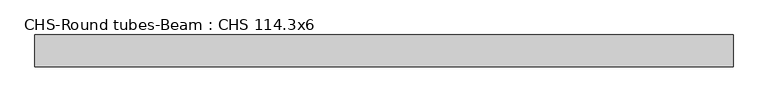
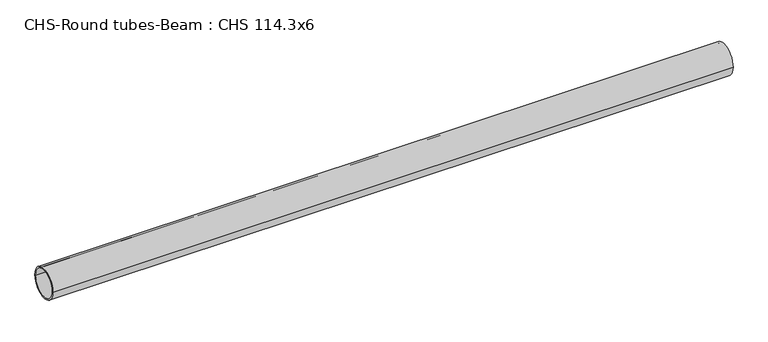
"""IFC4 building model written with IfcOpenShell, lengths in millimetres: beam geometry, CHS-Round tubes-Beam : CHS 114.3x6."""

from ifc_helpers import new_model, si_unit, point, frame, origin, origin_2d, place, context, project, spatial, circle_curve, trimmed, segment, composite_curve, outline, extrude, source, transform, mapped, element, save


def chs_round_tubes_beam_chs_114_3x6_1f453215(model_context):
    return source(origin(), model_context, "Body", "SweptSolid", [
        extrude(outline(composite_curve([segment(trimmed(circle_curve(origin_2d(), 57.15), [point((57.15, 0.0))], [point((-57.15, 0.0))], False, "CARTESIAN"), True, "CONTINUOUS"), segment(trimmed(circle_curve(origin_2d(), 57.15), [point((-57.15, 0.0))], [point((57.15, 0.0))], False, "CARTESIAN"), True, "CONTINUOUS")], self_intersect=False), holes=[composite_curve([segment(trimmed(circle_curve(origin_2d(), 51.15), [point((51.15, 0.0))], [point((-51.15, 0.0))], True, "CARTESIAN"), True, "CONTINUOUS"), segment(trimmed(circle_curve(origin_2d(), 51.15), [point((-51.15, 0.0))], [point((51.15, 0.0))], True, "CARTESIAN"), True, "CONTINUOUS")], self_intersect=False)]), frame((-1243.9578953, 0.0, 0.0), z_axis=(1.0, 0.0, 0.0), x_axis=(0.0, 1.0, 0.0)), (0.0, 0.0, 1.0), 2510.6149067),
    ])


if __name__ == "__main__":
    model = new_model("IFC4")
    model_context = context("Model", 3, world=origin())
    ifc_project = project(units=[si_unit("LENGTHUNIT", "METRE", prefix="MILLI")], contexts=[model_context])
    site = spatial("IfcSite", under=ifc_project)
    building = spatial("IfcBuilding", under=site)
    placement = place(None, origin())
    chs_round_tubes_beam_chs_114_3x6_shape = chs_round_tubes_beam_chs_114_3x6_1f453215(model_context)
    element("IfcBeam", 1, ObjectType="CHS-Round tubes-Beam : CHS 114.3x6", at=placement, inside=building, context=model_context, shape_type="MappedRepresentation", body=[
        mapped(chs_round_tubes_beam_chs_114_3x6_shape, transform((0.0, 0.0, 0.0), x_axis=(1.0, 0.0, 0.0), y_axis=(0.0, 1.0, 0.0), z_axis=(0.0, 0.0, 1.0))),
    ])
    save(model, "model.ifc")
